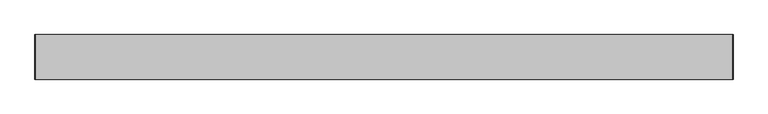
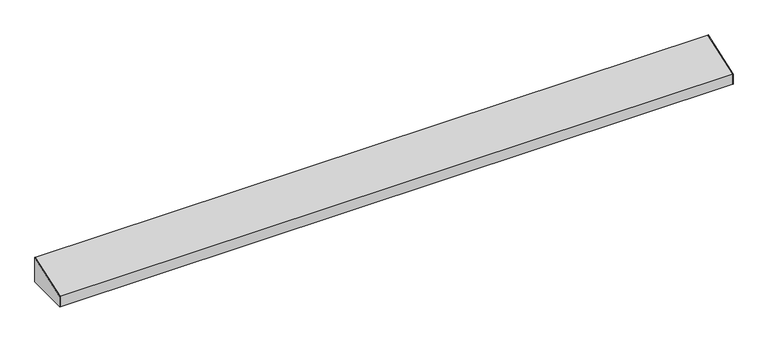
"""IFC4 building model written with IfcOpenShell, lengths in millimetres: furniture geometry."""

from ifc_helpers import new_model, si_unit, frame, origin, place, context, project, spatial, polyline, outline, extrude, source, transform, mapped, element, save


def furniture_bf8a7d59(model_context):
    return source(origin(), model_context, "Body", "SweptSolid", [
        extrude(outline(polyline([(-97.4564662, 2121.3058766), (-21.2564662, 2148.5621875), (-21.2564662, 2102.5246875), (-97.4564662, 2102.5246875), (-97.4564662, 2121.3058766)])), frame((614.0502049, 0.0, 0.0), z_axis=(1.0, 0.0, 0.0), x_axis=(0.0, 1.0, 0.0)), (0.0, 0.0, 1.0), 0.79375),
        extrude(outline(polyline([(-21.2564662, 2102.5246875), (-97.4564662, 2102.5246875), (-97.4564662, 2121.3058766), (-21.2564662, 2148.5621875), (-21.2564662, 2102.5246875)])), frame((-577.3685451, 0.0, 0.0), z_axis=(1.0, 0.0, 0.0), x_axis=(0.0, 1.0, 0.0)), (0.0, 0.0, 1.0), 0.79375),
        extrude(outline(polyline([(-21.2564662, 2102.5246875), (-33.9564662, 2102.5246875), (-33.9564662, 2103.3184375), (-22.0502162, 2103.3184375), (-22.0502162, 2147.4795361), (-96.6627162, 2120.801028), (-96.6627162, 2103.3184375), (-84.7564662, 2103.3184375), (-84.7564662, 2102.5246875), (-97.4564662, 2102.5246875), (-97.4564662, 2121.3058766), (-21.2564662, 2148.5621875), (-21.2564662, 2102.5246875)])), frame((-576.5747951, 0.0, 0.0), z_axis=(1.0, 0.0, 0.0), x_axis=(0.0, 1.0, 0.0)), (0.0, 0.0, 1.0), 1190.625),
    ])


if __name__ == "__main__":
    model = new_model("IFC4")
    model_context = context("Model", 3, world=origin())
    ifc_project = project(units=[si_unit("LENGTHUNIT", "METRE", prefix="MILLI")], contexts=[model_context])
    site = spatial("IfcSite", under=ifc_project)
    building = spatial("IfcBuilding", under=site)
    placement = place(None, origin())
    furniture_shape = furniture_bf8a7d59(model_context)
    element("IfcFurniture", 1, at=placement, inside=building, context=model_context, shape_type="MappedRepresentation", body=[
        mapped(furniture_shape, transform((0.0, 0.0, 0.0), x_axis=(1.0, 0.0, 0.0), y_axis=(0.0, 1.0, 0.0), z_axis=(0.0, 0.0, 1.0))),
    ])
    save(model, "model.ifc")
